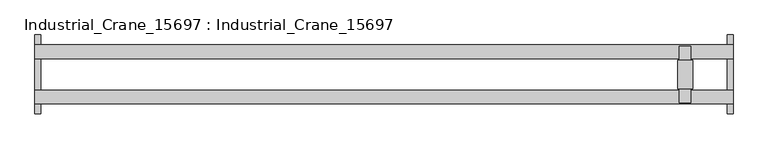
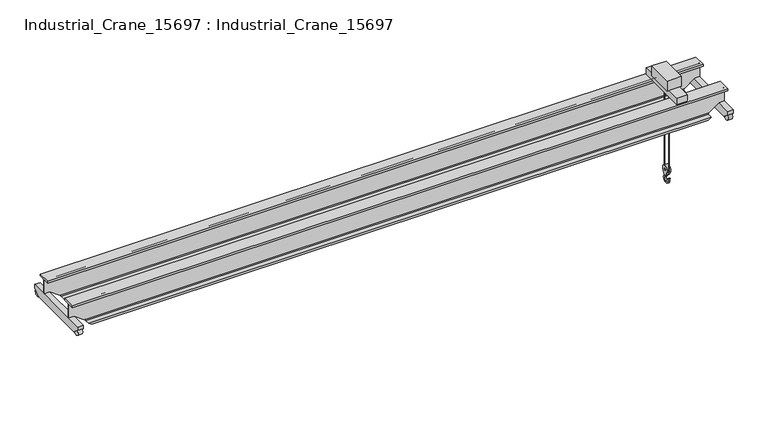
"""IFC4 building model written with IfcOpenShell, lengths in millimetres: proxy geometry, Industrial_Crane_15697 : Industrial_Crane_15697."""

from ifc_helpers import new_model, si_unit, point, frame, frame_2d, origin, place, context, project, spatial, polyline, circle_curve, ellipse_curve, trimmed, segment, composite_curve, outline, extrude, source, transform, mapped, element, save
from ifc_brep_helpers import plane_surface, cylinder_surface, revolved_surface, advanced_brep


def industrial_crane_15697_industrial_crane_15697_11011fda(model_context):
    return source(origin(), model_context, "Body", "SolidModel", [
        extrude(outline(composite_curve([segment(polyline([(99.6544112, -1748.0391978), (56.7550566, -1834.3067738)]), True, "CONTINUOUS"), segment(trimmed(circle_curve(frame_2d((-1.6989764, -1809.5)), 63.5), [point((56.7550566, -1834.3067738))], [point((-56.7550566, -1841.1398173))], False, "CARTESIAN"), True, "CONTINUOUS"), segment(polyline([(-56.7550566, -1841.1398173), (-104.0330136, -1746.1139944)]), True, "CONTINUOUS"), segment(trimmed(circle_curve(frame_2d((-1.6989764, -1695.2)), 114.3), [point((-104.0330136, -1746.1139944))], [point((99.6544112, -1748.0391978))], False, "CARTESIAN"), True, "CONTINUOUS")], self_intersect=False), holes=[composite_curve([segment(trimmed(circle_curve(frame_2d((-1.6989764, -1695.2)), 25.4), [point((-27.0989764, -1695.2))], [point((23.7010236, -1695.2))], True, "CARTESIAN"), True, "CONTINUOUS"), segment(trimmed(circle_curve(frame_2d((-1.6989764, -1695.2)), 25.4), [point((23.7010236, -1695.2))], [point((-27.0989764, -1695.2))], True, "CARTESIAN"), True, "CONTINUOUS")], self_intersect=False)]), frame((17513.0897307, 0.0, 0.0), z_axis=(1.0, 0.0, 0.0), x_axis=(0.0, 1.0, 0.0)), (0.0, 0.0, 1.0), 101.6),
        advanced_brep(
        [(152.4, 625.602, 292.1), (152.4, 593.598, 292.1), (0.0, 593.598, 292.1), (0.0, 625.602, 292.1), (443.0058377, 625.602, 80.9625), (474.7321292, 648.6525, 57.912), (474.7321292, 795.02, 57.912), (554.441159, 795.02, 0.0), (554.441159, 424.18, 0.0), (474.7321292, 424.18, 57.912), (474.7321292, 570.5475, 57.912), (443.0058377, 593.598, 80.9625), (18707.6, 625.602, 292.1), (18707.6, 593.598, 292.1), (18416.9941623, 593.598, 80.9625), (18385.2678708, 570.5475, 57.912), (18385.2678708, 424.18, 57.912), (18305.558841, 424.18, 0.0), (18305.558841, 795.02, 0.0), (18385.2678708, 795.02, 57.912), (18385.2678708, 648.6525, 57.912), (18416.9941623, 625.602, 80.9625), (18860.0, 625.602, 292.1), (18860.0, 593.598, 292.1), (18860.0, 795.02, 762.0), (18860.0, 424.18, 762.0), (18860.0, 424.18, 704.088), (18860.0, 570.5475, 704.088), (18860.0, 593.598, 681.0375), (18860.0, 625.602, 681.0375), (18860.0, 648.6525, 704.088), (18860.0, 795.02, 704.088), (0.0, 795.02, 762.0), (0.0, 795.02, 704.088), (0.0, 648.6525, 704.088), (0.0, 625.602, 681.0375), (0.0, 593.598, 681.0375), (0.0, 570.5475, 704.088), (0.0, 424.18, 704.088), (0.0, 424.18, 762.0)],
        [
            (0, 1),
            (1, 2),
            (2, 3),
            (3, 0),
            (0, 4),
            (4, 5, ellipse_curve(frame((443.0058377, 648.6525, 80.9625), z_axis=(0.5877852522924752, 0.0, 0.8090169943749459), x_axis=(-0.8090169943749459, 0.0, 0.5877852522924752)), 39.2158529, 23.0505)),
            (5, 6),
            (6, 7),
            (7, 8),
            (8, 9),
            (9, 10),
            (10, 11, ellipse_curve(frame((443.0058377, 570.5475, 80.9625), z_axis=(0.5877852522924752, 0.0, 0.8090169943749459), x_axis=(-0.8090169943749459, 0.0, 0.5877852522924752)), 39.2158529, 23.0505)),
            (11, 1),
            (12, 13),
            (13, 14),
            (14, 15, ellipse_curve(frame((18416.9941623, 570.5475, 80.9625), z_axis=(-0.5877852522926079, 0.0, 0.8090169943748495), x_axis=(-0.8090169943748495, 0.0, -0.587785252292608)), 39.2158529, 23.0505)),
            (15, 16),
            (16, 17),
            (17, 18),
            (18, 19),
            (19, 20),
            (20, 21, ellipse_curve(frame((18416.9941623, 648.6525, 80.9625), z_axis=(-0.5877852522926079, 0.0, 0.8090169943748495), x_axis=(-0.8090169943748495, 0.0, -0.587785252292608)), 39.2158529, 23.0505)),
            (21, 12),
            (12, 22),
            (22, 23),
            (23, 13),
            (24, 25),
            (25, 26),
            (26, 27),
            (27, 28, circle_curve(frame((18860.0, 570.5475, 681.0375), z_axis=(-1.0, 0.0, 0.0), x_axis=(0.0, 1.0, 0.0)), 23.0505)),
            (28, 23),
            (22, 29),
            (29, 30, circle_curve(frame((18860.0, 648.6525, 681.0375), z_axis=(-1.0, 0.0, 0.0), x_axis=(0.0, 1.0, 0.0)), 23.0505)),
            (30, 31),
            (31, 24),
            (32, 33),
            (33, 34),
            (34, 35, circle_curve(frame((0.0, 648.6525, 681.0375), z_axis=(1.0, 0.0, 0.0), x_axis=(0.0, 1.0, 0.0)), 23.0505)),
            (35, 3),
            (2, 36),
            (36, 37, circle_curve(frame((0.0, 570.5475, 681.0375), z_axis=(1.0, 0.0, 0.0), x_axis=(0.0, 1.0, 0.0)), 23.0505)),
            (37, 38),
            (38, 39),
            (39, 32),
            (24, 32),
            (39, 25),
            (38, 26),
            (37, 27),
            (36, 28),
            (11, 14),
            (10, 15),
            (9, 16),
            (8, 17),
            (7, 18),
            (6, 19),
            (5, 20),
            (4, 21),
            (35, 29),
            (34, 30),
            (33, 31),
        ],
        [
            plane_surface(frame((152.4, -1871.2666381, 292.1), z_axis=(0.0, 0.0, -1.0), x_axis=(0.0, 1.0, 0.0))),
            plane_surface(frame((554.441159, -1871.2666381, 0.0), z_axis=(-0.5877852522924752, 0.0, -0.8090169943749459), x_axis=(0.0, 1.0, 0.0))),
            plane_surface(frame((18707.6, -1871.2666381, 292.1), z_axis=(0.5877852522926079, 0.0, -0.8090169943748495), x_axis=(0.0, 1.0, 0.0))),
            plane_surface(frame((18860.0, -1871.2666381, 292.1), z_axis=(0.0, 0.0, -1.0), x_axis=(0.0, 1.0, 0.0))),
            plane_surface(frame((18860.0, 424.18, 762.0), z_axis=(1.0, 0.0, 0.0), x_axis=(0.0, -1.0, 0.0))),
            plane_surface(frame((0.0, 424.18, 762.0), z_axis=(-1.0, 0.0, 0.0), x_axis=(0.0, 1.0, 0.0))),
            plane_surface(frame((18860.0, 795.02, 762.0), z_axis=(0.0, 0.0, 1.0), x_axis=(-1.0, 0.0, 0.0))),
            plane_surface(frame((18860.0, 424.18, 762.0), z_axis=(0.0, -1.0, 0.0), x_axis=(-1.0, 0.0, 0.0))),
            plane_surface(frame((18860.0, 424.18, 704.088), z_axis=(0.0, 0.0, -1.0), x_axis=(-1.0, 0.0, 0.0))),
            revolved_surface(polyline([(0.0, 593.598, 681.0375), (18860.0, 593.598, 681.0375)]), (0.0, 570.5475, 681.0375), (-1.0, 0.0, 0.0)),
            plane_surface(frame((18860.0, 593.598, 681.0375), z_axis=(0.0, -1.0, 0.0), x_axis=(-1.0, 0.0, 0.0))),
            revolved_surface(polyline([(411.27954625499194, 593.598, 80.9625), (18448.720453745005, 593.598, 80.9625)]), (0.0, 570.5475, 80.9625), (-1.0, 0.0, 0.0)),
            plane_surface(frame((18860.0, 570.5475, 57.912), z_axis=(0.0, 0.0, 1.0), x_axis=(-1.0, 0.0, 0.0))),
            plane_surface(frame((18860.0, 424.18, 57.912), z_axis=(0.0, -1.0, 0.0), x_axis=(-1.0, 0.0, 0.0))),
            plane_surface(frame((18860.0, 424.18, 0.0), z_axis=(0.0, 0.0, -1.0), x_axis=(-1.0, 0.0, 0.0))),
            plane_surface(frame((18860.0, 795.02, 0.0), z_axis=(0.0, 1.0, 0.0), x_axis=(-1.0, 0.0, 0.0))),
            plane_surface(frame((18860.0, 795.02, 57.912), z_axis=(0.0, 0.0, 1.0), x_axis=(-1.0, 0.0, 0.0))),
            revolved_surface(polyline([(411.27954625499194, 671.703, 80.9625), (18448.720453745005, 671.703, 80.9625)]), (0.0, 648.6525, 80.9625), (-1.0, 0.0, 0.0)),
            plane_surface(frame((18860.0, 625.602, 80.9625), z_axis=(0.0, 1.0, 0.0), x_axis=(-1.0, 0.0, 0.0))),
            revolved_surface(polyline([(0.0, 671.703, 681.0375), (18860.0, 671.703, 681.0375)]), (0.0, 648.6525, 681.0375), (-1.0, 0.0, 0.0)),
            plane_surface(frame((18860.0, 648.6525, 704.088), z_axis=(0.0, 0.0, -1.0), x_axis=(-1.0, 0.0, 0.0))),
            plane_surface(frame((18860.0, 795.02, 704.088), z_axis=(0.0, 1.0, 0.0), x_axis=(-1.0, 0.0, 0.0))),
        ],
        [
            (0, [[1, 2, 3, 4]]),
            (1, [[-1, 5, 6, 7, 8, 9, 10, 11, 12, 13]]),
            (2, [[14, 15, 16, 17, 18, 19, 20, 21, 22, 23]]),
            (3, [[-14, 24, 25, 26]]),
            (4, [[27, 28, 29, 30, 31, -25, 32, 33, 34, 35]]),
            (5, [[36, 37, 38, 39, -3, 40, 41, 42, 43, 44]]),
            (6, [[-27, 45, -44, 46]]),
            (7, [[-28, -46, -43, 47]]),
            (8, [[-29, -47, -42, 48]]),
            (9, [[-30, -48, -41, 49]]),
            (10, [[-49, -40, -2, -13, 50, -15, -26, -31]]),
            (11, [[-50, -12, 51, -16]]),
            (12, [[-51, -11, 52, -17]]),
            (13, [[-52, -10, 53, -18]]),
            (14, [[-53, -9, 54, -19]]),
            (15, [[-54, -8, 55, -20]]),
            (16, [[-55, -7, 56, -21]]),
            (17, [[-56, -6, 57, -22]]),
            (18, [[58, -32, -24, -23, -57, -5, -4, -39]]),
            (19, [[-33, -58, -38, 59]]),
            (20, [[-34, -59, -37, 60]]),
            (21, [[-35, -60, -36, -45]]),
        ],
    ),
        advanced_brep(
        [(152.4, -593.598, 292.1), (152.4, -625.602, 292.1), (0.0, -625.602, 292.1), (0.0, -593.598, 292.1), (443.0058377, -593.598, 80.9625), (474.7321292, -570.5475, 57.912), (474.7321292, -424.18, 57.912), (554.441159, -424.18, 0.0), (554.441159, -795.02, 0.0), (474.7321292, -795.02, 57.912), (474.7321292, -648.6525, 57.912), (443.0058377, -625.602, 80.9625), (18707.6, -593.598, 292.1), (18707.6, -625.602, 292.1), (18416.9941623, -625.602, 80.9625), (18385.2678708, -648.6525, 57.912), (18385.2678708, -795.02, 57.912), (18305.558841, -795.02, 0.0), (18305.558841, -424.18, 0.0), (18385.2678708, -424.18, 57.912), (18385.2678708, -570.5475, 57.912), (18416.9941623, -593.598, 80.9625), (18860.0, -593.598, 292.1), (18860.0, -625.602, 292.1), (18860.0, -424.18, 762.0), (18860.0, -795.02, 762.0), (18860.0, -795.02, 704.088), (18860.0, -648.6525, 704.088), (18860.0, -625.602, 681.0375), (18860.0, -593.598, 681.0375), (18860.0, -570.5475, 704.088), (18860.0, -424.18, 704.088), (0.0, -424.18, 762.0), (0.0, -424.18, 704.088), (0.0, -570.5475, 704.088), (0.0, -593.598, 681.0375), (0.0, -625.602, 681.0375), (0.0, -648.6525, 704.088), (0.0, -795.02, 704.088), (0.0, -795.02, 762.0)],
        [
            (0, 1),
            (1, 2),
            (2, 3),
            (3, 0),
            (0, 4),
            (4, 5, ellipse_curve(frame((443.0058377, -570.5475, 80.9625), z_axis=(0.5877852522924752, 0.0, 0.8090169943749459), x_axis=(-0.8090169943749459, 0.0, 0.5877852522924752)), 39.2158529, 23.0505)),
            (5, 6),
            (6, 7),
            (7, 8),
            (8, 9),
            (9, 10),
            (10, 11, ellipse_curve(frame((443.0058377, -648.6525, 80.9625), z_axis=(0.5877852522924752, 0.0, 0.8090169943749459), x_axis=(-0.8090169943749459, 0.0, 0.5877852522924752)), 39.2158529, 23.0505)),
            (11, 1),
            (12, 13),
            (13, 14),
            (14, 15, ellipse_curve(frame((18416.9941623, -648.6525, 80.9625), z_axis=(-0.5877852522926079, 0.0, 0.8090169943748495), x_axis=(-0.8090169943748495, 0.0, -0.587785252292608)), 39.2158529, 23.0505)),
            (15, 16),
            (16, 17),
            (17, 18),
            (18, 19),
            (19, 20),
            (20, 21, ellipse_curve(frame((18416.9941623, -570.5475, 80.9625), z_axis=(-0.5877852522926079, 0.0, 0.8090169943748495), x_axis=(-0.8090169943748495, 0.0, -0.587785252292608)), 39.2158529, 23.0505)),
            (21, 12),
            (12, 22),
            (22, 23),
            (23, 13),
            (24, 25),
            (25, 26),
            (26, 27),
            (27, 28, circle_curve(frame((18860.0, -648.6525, 681.0375), z_axis=(-1.0, 0.0, 0.0), x_axis=(0.0, 1.0, 0.0)), 23.0505)),
            (28, 23),
            (22, 29),
            (29, 30, circle_curve(frame((18860.0, -570.5475, 681.0375), z_axis=(-1.0, 0.0, 0.0), x_axis=(0.0, 1.0, 0.0)), 23.0505)),
            (30, 31),
            (31, 24),
            (32, 33),
            (33, 34),
            (34, 35, circle_curve(frame((0.0, -570.5475, 681.0375), z_axis=(1.0, 0.0, 0.0), x_axis=(0.0, 1.0, 0.0)), 23.0505)),
            (35, 3),
            (2, 36),
            (36, 37, circle_curve(frame((0.0, -648.6525, 681.0375), z_axis=(1.0, 0.0, 0.0), x_axis=(0.0, 1.0, 0.0)), 23.0505)),
            (37, 38),
            (38, 39),
            (39, 32),
            (24, 32),
            (39, 25),
            (38, 26),
            (37, 27),
            (36, 28),
            (11, 14),
            (10, 15),
            (9, 16),
            (8, 17),
            (7, 18),
            (6, 19),
            (5, 20),
            (4, 21),
            (35, 29),
            (34, 30),
            (33, 31),
        ],
        [
            plane_surface(frame((152.4, -1871.2666381, 292.1), z_axis=(0.0, 0.0, -1.0), x_axis=(0.0, 1.0, 0.0))),
            plane_surface(frame((554.441159, -1871.2666381, 0.0), z_axis=(-0.5877852522924752, 0.0, -0.8090169943749459), x_axis=(0.0, 1.0, 0.0))),
            plane_surface(frame((18707.6, -1871.2666381, 292.1), z_axis=(0.5877852522926079, 0.0, -0.8090169943748495), x_axis=(0.0, 1.0, 0.0))),
            plane_surface(frame((18860.0, -1871.2666381, 292.1), z_axis=(0.0, 0.0, -1.0), x_axis=(0.0, 1.0, 0.0))),
            plane_surface(frame((18860.0, -795.02, 762.0), z_axis=(1.0, 0.0, 0.0), x_axis=(0.0, -1.0, 0.0))),
            plane_surface(frame((0.0, -795.02, 762.0), z_axis=(-1.0, 0.0, 0.0), x_axis=(0.0, 1.0, 0.0))),
            plane_surface(frame((18860.0, -424.18, 762.0), z_axis=(0.0, 0.0, 1.0), x_axis=(-1.0, 0.0, 0.0))),
            plane_surface(frame((18860.0, -795.02, 762.0), z_axis=(0.0, -1.0, 0.0), x_axis=(-1.0, 0.0, 0.0))),
            plane_surface(frame((18860.0, -795.02, 704.088), z_axis=(0.0, 0.0, -1.0), x_axis=(-1.0, 0.0, 0.0))),
            revolved_surface(polyline([(0.0, -625.6020000000001, 681.0375), (18860.0, -625.6020000000001, 681.0375)]), (0.0, -648.6525, 681.0375), (-1.0, 0.0, 0.0)),
            plane_surface(frame((18860.0, -625.602, 681.0375), z_axis=(0.0, -1.0, 0.0), x_axis=(-1.0, 0.0, 0.0))),
            revolved_surface(polyline([(411.27954625499194, -625.6020000000001, 80.9625), (18448.720453745005, -625.6020000000001, 80.9625)]), (0.0, -648.6525, 80.9625), (-1.0, 0.0, 0.0)),
            plane_surface(frame((18860.0, -648.6525, 57.912), z_axis=(0.0, 0.0, 1.0), x_axis=(-1.0, 0.0, 0.0))),
            plane_surface(frame((18860.0, -795.02, 57.912), z_axis=(0.0, -1.0, 0.0), x_axis=(-1.0, 0.0, 0.0))),
            plane_surface(frame((18860.0, -795.02, 0.0), z_axis=(0.0, 0.0, -1.0), x_axis=(-1.0, 0.0, 0.0))),
            plane_surface(frame((18860.0, -424.18, 0.0), z_axis=(0.0, 1.0, 0.0), x_axis=(-1.0, 0.0, 0.0))),
            plane_surface(frame((18860.0, -424.18, 57.912), z_axis=(0.0, 0.0, 1.0), x_axis=(-1.0, 0.0, 0.0))),
            revolved_surface(polyline([(411.27954625499194, -547.4970000000001, 80.9625), (18448.720453745005, -547.4970000000001, 80.9625)]), (0.0, -570.5475, 80.9625), (-1.0, 0.0, 0.0)),
            plane_surface(frame((18860.0, -593.598, 80.9625), z_axis=(0.0, 1.0, 0.0), x_axis=(-1.0, 0.0, 0.0))),
            revolved_surface(polyline([(0.0, -547.4970000000001, 681.0375), (18860.0, -547.4970000000001, 681.0375)]), (0.0, -570.5475, 681.0375), (-1.0, 0.0, 0.0)),
            plane_surface(frame((18860.0, -570.5475, 704.088), z_axis=(0.0, 0.0, -1.0), x_axis=(-1.0, 0.0, 0.0))),
            plane_surface(frame((18860.0, -424.18, 704.088), z_axis=(0.0, 1.0, 0.0), x_axis=(-1.0, 0.0, 0.0))),
        ],
        [
            (0, [[1, 2, 3, 4]]),
            (1, [[-1, 5, 6, 7, 8, 9, 10, 11, 12, 13]]),
            (2, [[14, 15, 16, 17, 18, 19, 20, 21, 22, 23]]),
            (3, [[-14, 24, 25, 26]]),
            (4, [[27, 28, 29, 30, 31, -25, 32, 33, 34, 35]]),
            (5, [[36, 37, 38, 39, -3, 40, 41, 42, 43, 44]]),
            (6, [[-27, 45, -44, 46]]),
            (7, [[-28, -46, -43, 47]]),
            (8, [[-29, -47, -42, 48]]),
            (9, [[-30, -48, -41, 49]]),
            (10, [[-49, -40, -2, -13, 50, -15, -26, -31]]),
            (11, [[-50, -12, 51, -16]]),
            (12, [[-51, -11, 52, -17]]),
            (13, [[-52, -10, 53, -18]]),
            (14, [[-53, -9, 54, -19]]),
            (15, [[-54, -8, 55, -20]]),
            (16, [[-55, -7, 56, -21]]),
            (17, [[-56, -6, 57, -22]]),
            (18, [[58, -32, -24, -23, -57, -5, -4, -39]]),
            (19, [[-33, -58, -38, 59]]),
            (20, [[-34, -59, -37, 60]]),
            (21, [[-35, -60, -36, -45]]),
        ],
    ),
        extrude(outline(polyline([(17767.0897307, 381.0), (17767.0897307, -381.0), (17360.6897307, -381.0), (17360.6897307, 381.0), (17767.0897307, 381.0)])), frame((0.0, 0.0, 965.2), z_axis=(0.0, 0.0, 1.0), x_axis=(1.0, 0.0, 0.0)), (0.0, 0.0, 1.0), 304.8),
        extrude(outline(polyline([(17716.2897307, 762.0), (17716.2897307, -762.0), (17411.4897307, -762.0), (17411.4897307, 762.0), (17716.2897307, 762.0)])), frame((0.0, 0.0, 762.0), z_axis=(0.0, 0.0, 1.0), x_axis=(1.0, 0.0, 0.0)), (0.0, 0.0, 1.0), 203.2),
        extrude(outline(composite_curve([segment(polyline([(-1033.7248952, 151.2126572), (-877.211819, 25.4)]), True, "CONTINUOUS"), segment(trimmed(circle_curve(frame_2d((-965.2, 76.2)), 101.6), [point((-877.211819, 25.4))], [point((-1033.7248952, 151.2126572))], False, "CARTESIAN"), True, "CONTINUOUS")], self_intersect=False)), frame((18720.3, 0.0, 0.0), z_axis=(1.0, 0.0, 0.0), x_axis=(0.0, 1.0, 0.0)), (0.0, 0.0, 1.0), 127.0),
        extrude(outline(composite_curve([segment(polyline([(877.211819, 25.4), (1033.7248952, 151.2126572)]), True, "CONTINUOUS"), segment(trimmed(circle_curve(frame_2d((965.2, 76.2)), 101.6), [point((1033.7248952, 151.2126572))], [point((877.211819, 25.4))], False, "CARTESIAN"), True, "CONTINUOUS")], self_intersect=False)), frame((18720.3, 0.0, 0.0), z_axis=(1.0, 0.0, 0.0), x_axis=(0.0, 1.0, 0.0)), (0.0, 0.0, 1.0), 127.0),
        extrude(outline(polyline([(-1066.8, 279.4), (1066.8, 279.4), (1066.8, 177.8), (877.211819, 25.4), (-877.211819, 25.4), (-1066.8, 177.8), (-1066.8, 279.4)])), frame((18707.6, 0.0, 0.0), z_axis=(1.0, 0.0, 0.0), x_axis=(0.0, 1.0, 0.0)), (0.0, 0.0, 1.0), 152.4),
        extrude(outline(composite_curve([segment(polyline([(-1033.7248952, 151.2126572), (-877.211819, 25.4)]), True, "CONTINUOUS"), segment(trimmed(circle_curve(frame_2d((-965.2, 76.2)), 101.6), [point((-877.211819, 25.4))], [point((-1033.7248952, 151.2126572))], False, "CARTESIAN"), True, "CONTINUOUS")], self_intersect=False)), frame((12.7, 0.0, 0.0), z_axis=(1.0, 0.0, 0.0), x_axis=(0.0, 1.0, 0.0)), (0.0, 0.0, 1.0), 127.0),
        extrude(outline(composite_curve([segment(polyline([(877.211819, 25.4), (1033.7248952, 151.2126572)]), True, "CONTINUOUS"), segment(trimmed(circle_curve(frame_2d((965.2, 76.2)), 101.6), [point((1033.7248952, 151.2126572))], [point((877.211819, 25.4))], False, "CARTESIAN"), True, "CONTINUOUS")], self_intersect=False)), frame((12.7, 0.0, 0.0), z_axis=(1.0, 0.0, 0.0), x_axis=(0.0, 1.0, 0.0)), (0.0, 0.0, 1.0), 127.0),
        extrude(outline(polyline([(-1066.8, 279.4), (1066.8, 279.4), (1066.8, 177.8), (877.211819, 25.4), (-877.211819, 25.4), (-1066.8, 177.8), (-1066.8, 279.4)])), frame((0.0, 0.0, 0.0), z_axis=(1.0, 0.0, 0.0), x_axis=(0.0, 1.0, 0.0)), (0.0, 0.0, 1.0), 152.4),
        extrude(outline(composite_curve([segment(trimmed(circle_curve(frame_2d((68.7667214, -1854.8642268)), 46.3078871), [point((24.3983314, -1868.1256891))], [point((49.464251, -1896.9573978))], True, "CARTESIAN"), True, "CONTINUOUS"), segment(trimmed(circle_curve(frame_2d((0.0, -2000.0)), 114.3), [point((49.464251, -1896.9573978))], [point((-114.2984922, -1999.4129029))], False, "CARTESIAN"), True, "CONTINUOUS"), segment(trimmed(circle_curve(frame_2d((-277.4979429, -1999.2873171)), 163.1994991), [point((-114.2984922, -1999.4129029))], [point((-134.1807518, -1921.2215807))], True, "CARTESIAN"), True, "CONTINUOUS"), segment(trimmed(circle_curve(frame_2d((-143.5653179, -2000.7384363)), 80.0687231), [point((-134.1807518, -1921.2215807))], [point((-63.5, -2000.0))], False, "CARTESIAN"), True, "CONTINUOUS"), segment(trimmed(circle_curve(frame_2d((0.0, -2000.0)), 63.5), [point((-63.5, -2000.0))], [point((35.0065507, -1947.0208399))], True, "CARTESIAN"), True, "CONTINUOUS"), segment(trimmed(circle_curve(frame_2d((101.5372528, -1833.5322834)), 131.5522207), [point((35.0065507, -1947.0208399))], [point((-25.5141229, -1867.6487707))], False, "CARTESIAN"), True, "CONTINUOUS"), segment(trimmed(circle_curve(frame_2d((0.0, -1809.5)), 63.5), [point((-25.5141229, -1867.6487707))], [point((24.3983314, -1868.1256891))], True, "CARTESIAN"), True, "CONTINUOUS")], self_intersect=False)), frame((17538.4897307, 0.0, 0.0), z_axis=(1.0, 0.0, 0.0), x_axis=(0.0, 1.0, 0.0)), (0.0, 0.0, 1.0), 50.8),
        advanced_brep(
        [(17568.6857651, -114.2984922, 762.0), (17559.0936962, -114.2984922, 762.0), (17568.6857651, -114.2984922, -1695.2), (17559.0936962, -114.2984922, -1695.2), (17559.0936962, 114.2984922, -1695.2), (17568.6857651, 114.2984922, -1695.2), (17568.6857651, 114.2984922, 762.0), (17559.0936962, 114.2984922, 762.0)],
        [
            (0, 1, circle_curve(frame((17563.8897307, -114.2984922, 762.0), z_axis=(0.0, 0.0, 1.0), x_axis=(-1.0, 0.0, 0.0)), 4.7960344)),
            (1, 0, circle_curve(frame((17563.8897307, -114.2984922, 762.0), z_axis=(0.0, 0.0, 1.0), x_axis=(-1.0, 0.0, 0.0)), 4.7960344)),
            (0, 2),
            (2, 3, circle_curve(frame((17563.8897307, -114.2984922, -1695.2), z_axis=(0.0, 0.0, 1.0), x_axis=(-1.0, 0.0, 0.0)), 4.7960344)),
            (3, 1),
            (3, 2, circle_curve(frame((17563.8897307, -114.2984922, -1695.2), z_axis=(0.0, 0.0, 1.0), x_axis=(-1.0, 0.0, 0.0)), 4.7960344)),
            (4, 3, circle_curve(frame((17559.0936962, 0.0, -1695.2), z_axis=(-1.0, 0.0, 0.0), x_axis=(0.0, -1.0, 0.0)), 114.2984922)),
            (2, 5, circle_curve(frame((17568.6857651, 0.0, -1695.2), z_axis=(1.0, 0.0, 0.0), x_axis=(0.0, -1.0, 0.0)), 114.2984922)),
            (5, 4, circle_curve(frame((17563.8897307, 114.2984922, -1695.2), z_axis=(0.0, 0.0, -1.0), x_axis=(-1.0, 0.0, 0.0)), 4.7960344)),
            (4, 5, circle_curve(frame((17563.8897307, 114.2984922, -1695.2), z_axis=(0.0, 0.0, -1.0), x_axis=(-1.0, 0.0, 0.0)), 4.7960344)),
            (6, 7, circle_curve(frame((17563.8897307, 114.2984922, 762.0), z_axis=(0.0, 0.0, 1.0), x_axis=(-1.0, 0.0, 0.0)), 4.7960344)),
            (7, 6, circle_curve(frame((17563.8897307, 114.2984922, 762.0), z_axis=(0.0, 0.0, 1.0), x_axis=(-1.0, 0.0, 0.0)), 4.7960344)),
            (5, 6),
            (7, 4),
        ],
        [
            plane_surface(frame((17563.8897307, -114.3, 762.0), z_axis=(0.0, 0.0, 1.0), x_axis=(-1.0, 0.0, 0.0))),
            cylinder_surface(frame((17563.8897307, -114.2984922, 762.0), z_axis=(0.0, 0.0, 1.0), x_axis=(-1.0, 0.0, 0.0)), 4.7960344),
            revolved_surface(trimmed(ellipse_curve(frame((17563.8897307, -114.2984922, -1695.2), z_axis=(0.0, 0.0, 1.0), x_axis=(-1.0, 0.0, 0.0)), 4.7960344, 4.7960344), [point((17568.6857651, -114.2984922, -1695.2))], [point((17559.0936962, -114.2984922, -1695.2))], True, "CARTESIAN"), (17563.8897307, 0.0, -1695.2), (1.0, 0.0, 0.0)),
            revolved_surface(trimmed(ellipse_curve(frame((17563.8897307, -114.2984922, -1695.2), z_axis=(0.0, 0.0, 1.0), x_axis=(-1.0, 0.0, 0.0)), 4.7960344, 4.7960344), [point((17559.0936962, -114.2984922, -1695.2))], [point((17568.6857651, -114.2984922, -1695.2))], True, "CARTESIAN"), (17563.8897307, 0.0, -1695.2), (1.0, 0.0, 0.0)),
            plane_surface(frame((17563.8897307, 114.3, 762.0), z_axis=(0.0, 0.0, 1.0), x_axis=(-1.0, 0.0, 0.0))),
            cylinder_surface(frame((17563.8897307, 114.2984922, -1695.2), z_axis=(0.0, 0.0, -1.0), x_axis=(-1.0, 0.0, 0.0)), 4.7960344),
        ],
        [
            (0, [[1, 2]]),
            (1, [[-1, 3, 4, 5]]),
            (1, [[-2, -5, 6, -3]]),
            (2, [[7, -4, 8, 9]]),
            (3, [[-8, -6, -7, 10]]),
            (4, [[11, 12]]),
            (5, [[-9, 13, -12, 14]]),
            (5, [[-10, -14, -11, -13]]),
        ],
    ),
    ])


if __name__ == "__main__":
    model = new_model("IFC4")
    model_context = context("Model", 3, world=origin())
    ifc_project = project(units=[si_unit("LENGTHUNIT", "METRE", prefix="MILLI")], contexts=[model_context])
    site = spatial("IfcSite", under=ifc_project)
    building = spatial("IfcBuilding", under=site)
    placement = place(None, origin())
    industrial_crane_15697_industrial_crane_15697_shape = industrial_crane_15697_industrial_crane_15697_11011fda(model_context)
    element("IfcBuildingElementProxy", 1, Name="Industrial_Crane_15697 : Industrial_Crane_15697", ObjectType="Industrial_Crane_15697 : Industrial_Crane_15697", at=placement, inside=building, context=model_context, shape_type="MappedRepresentation", body=[
        mapped(industrial_crane_15697_industrial_crane_15697_shape, transform((0.0, 0.0, 0.0), x_axis=(1.0, 0.0, 0.0), y_axis=(0.0, 1.0, 0.0), z_axis=(0.0, 0.0, 1.0))),
    ])
    save(model, "model.ifc")
